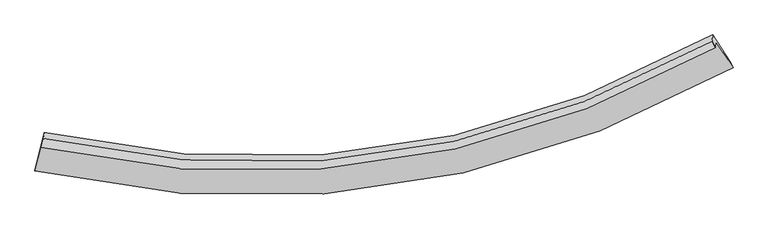
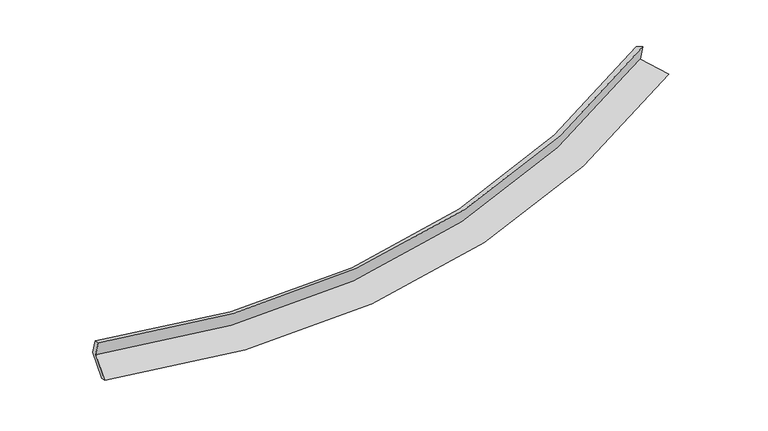
"""IFC4 building model written with IfcOpenShell, lengths in millimetres: proxy geometry."""

from ifc_helpers import new_model, si_unit, frame, origin, place, context, project, spatial, source, transform, mapped, element, save
from ifc_brep_helpers import plane_surface, spline_curve, spline_surface, advanced_brep


def generic_models_dff3e7ea(model_context):
    return source(origin(), model_context, "Body", "AdvancedBrep", [
        advanced_brep(
        [(-6592.6438075, -2034.8134485, 1516.092759), (-6741.3778465, -2645.3627993, 1306.1311509), (7684.9492117, -508.1932586, 2530.343404), (7331.1026262, 38.3790601, 2701.5287084), (-6605.5045999, -2160.0737587, 1889.4488183), (7317.6501794, -92.6437879, 3092.0608266), (-6564.3791035, -1965.8681076, 1810.3503873), (7252.1925751, 45.5647222, 3029.876861), (-6551.9278905, -1844.5969793, 1448.8846482), (7265.4753445, 174.9349631, 2644.2705721), (-6703.478862, -2466.7097647, 1234.9464945), (7619.3635879, -371.7017028, 2473.0651143)],
        [
            (0, 1),
            (1, 2, spline_curve(3, [(-6741.3778465, -2645.3627993, 1306.1311509), (-4707.926140988, -3101.848973553, 1241.772871185), (-2714.236224735, -3259.383645845, 1269.354136298), (2142.537684228, -2907.871447761, 1566.440575919), (4957.623453768, -2037.946928273, 1946.930061286), (7684.9492117, -508.1932586, 2530.343404)], [4, 2, 4], [0.0, 19.352660765896104, 48.103866545499])),
            (2, 3),
            (3, 0, spline_curve(3, [(7331.1026262, 38.3790601, 2701.5287084), (4700.239592177, -1431.653105199, 2131.778846252), (1983.807937203, -2269.932826868, 1761.403711642), (-2704.240567893, -2615.475226078, 1475.301595928), (-4629.057724489, -2468.259673728, 1450.531414677), (-6592.6438075, -2034.8134485, 1516.092759)], [4, 2, 4], [0.0, 28.7512057796029, 48.103866545499])),
            (4, 0),
            (3, 5),
            (5, 4, spline_curve(3, [(7317.6501794, -92.6437879, 3092.0608266), (4686.876828074, -1561.802465894, 2519.707411059), (1970.551707216, -2399.04458362, 2146.239553331), (-2717.29036434, -2742.576378487, 1854.144545201), (-4642.016836219, -2594.477583205, 1826.741733717), (-6605.5045999, -2160.0737587, 1889.4488183)], [4, 2, 4], [0.0, 28.24040531966842, 47.24924231358246])),
            (6, 4),
            (5, 7),
            (7, 6, spline_curve(3, [(7252.1925751, 45.5647222, 3029.876861), (4637.824921494, -1416.449790624, 2451.740084951), (1940.791658271, -2244.149723155, 2073.931385665), (-2709.944197215, -2567.704263704, 1776.987173682), (-4618.43482648, -2410.48194099, 1748.287048541), (-6564.3791035, -1965.8681076, 1810.3503873)], [4, 2, 4], [0.0, 28.134762721292862, 47.0724908586093])),
            (8, 6),
            (7, 9),
            (9, 8, spline_curve(3, [(7265.4753445, 174.9349631, 2644.2705721), (4650.913012724, -1288.97565414, 2071.785404283), (1953.702409201, -2118.402833823, 1699.12500782), (-2697.301149773, -2444.564725204, 1409.952374097), (-4605.89162407, -2288.314860783, 1384.150796721), (-6551.9278905, -1844.5969793, 1448.8846482)], [4, 2, 4], [0.0, 28.029104228120893, 46.89571280992834])),
            (10, 8),
            (9, 11),
            (11, 10, spline_curve(3, [(7619.3635879, -371.7017028, 2473.0651143), (4908.743259486, -1881.215253363, 1881.971384112), (2112.700971396, -2737.976474926, 1496.736062401), (-2708.299326781, -3079.305344796, 1196.619149595), (-4686.537855114, -2920.880143208, 1169.148265014), (-6703.478862, -2466.7097647, 1234.9464945)], [4, 2, 4], [0.0, 28.537735918847854, 47.74670845717522])),
            (1, 10),
            (11, 2),
        ],
        [
            spline_surface(3, 3, [[(-6592.6438075, -2034.8134485, 1516.092759), (-4629.057724713, -2468.25967392, 1450.531414464), (-2704.24056803, -2615.475226129, 1475.301595988), (1983.807937408, -2269.932826792, 1761.403711554), (4700.239591988, -1431.653105105, 2131.778846472), (7331.1026262, 38.3790601, 2701.5287084)], [(-6642.221820494, -2238.32989874, 1446.105556301), (-4655.347196862, -2679.456107209, 1380.945233408), (-2707.572453611, -2830.11136609, 1406.652442758), (2036.71785306, -2482.579033757, 1696.415999624), (4786.034212683, -1633.751046285, 2070.162584908), (7449.051488042, -143.811712801, 2644.466940277)], [(-6691.799833506, -2441.84634906, 1376.118353599), (-4681.636669028, -2890.652540578, 1311.359052349), (-2710.904339224, -3044.747505982, 1338.00328959), (2089.627768679, -2695.225240653, 1631.428287756), (4871.828833354, -1835.848987461, 2008.546323314), (7567.000349858, -326.002485699, 2587.405172123)], [(-6741.3778465, -2645.3627993, 1306.1311509), (-4707.926141177, -3101.848973866, 1241.772871293), (-2714.236224804, -3259.383645942, 1269.35413636), (2142.537684331, -2907.871447617, 1566.440575826), (4957.62345405, -2037.946928641, 1946.930061749), (7684.9492117, -508.1932586, 2530.343404)]], [4, 4], [4, 2, 4], [0.0, 2.218176686007178], [0.0, 19.352660765896104, 48.103866545499]),
            spline_surface(3, 3, [[(-6605.5045999, -2160.0737587, 1889.4488183), (-4642.016836249, -2594.47758339, 1826.74173374), (-2717.290364335, -2742.576378266, 1854.144545246), (1970.551707208, -2399.044583948, 2146.239553264), (4686.876828373, -1561.802465435, 2519.707411208), (7317.6501794, -92.6437879, 3092.0608266)], [(-6601.217669094, -2118.320321991, 1764.996798506), (-4637.697132397, -2552.404946924, 1701.338293954), (-2712.940432228, -2700.209327544, 1727.863562157), (1974.970450613, -2356.007331553, 2017.960939358), (4691.331082892, -1518.419345303, 2390.397889623), (7322.134328314, -48.969505211, 2961.88345386)], [(-6596.930738306, -2076.566885209, 1640.544778794), (-4633.377428564, -2510.332310386, 1575.93485425), (-2708.590500137, -2657.842276851, 1601.582579076), (1979.389194003, -2312.970079186, 1889.68232546), (4695.785337468, -1475.036225237, 2261.088368057), (7326.618477286, -5.295222589, 2831.70608114)], [(-6592.6438075, -2034.8134485, 1516.092759), (-4629.057724713, -2468.25967392, 1450.531414464), (-2704.24056803, -2615.475226129, 1475.301595988), (1983.807937408, -2269.932826792, 1761.403711554), (4700.239591988, -1431.653105105, 2131.778846472), (7331.1026262, 38.3790601, 2701.5287084)]], [4, 4], [4, 2, 4], [0.0, 1.3260015477204705], [0.0, 19.008836993914038, 47.24924231358246]),
            spline_surface(3, 3, [[(-6564.3791035, -1965.8681076, 1810.3503873), (-4618.434826761, -2410.481941241, 1748.28704834), (-2709.944197104, -2567.704263822, 1776.987173824), (1940.791658107, -2244.149722979, 2073.931385453), (4637.824921297, -1416.449790454, 2451.74008451), (7252.1925751, 45.5647222, 3029.876861)], [(-6578.087602291, -2030.603324636, 1836.716530995), (-4626.295496581, -2471.81382196, 1774.438610168), (-2712.392919534, -2625.994968643, 1802.706297632), (1950.711674454, -2295.781343308, 2098.034108058), (4654.175556998, -1464.90068213, 2474.395860084), (7274.011776542, -0.504781183, 3050.604849541)], [(-6591.796101109, -2095.338541664, 1863.082674605), (-4634.156166428, -2533.145702671, 1800.590171912), (-2714.841641904, -2684.285673445, 1828.425421437), (1960.631690861, -2347.412963619, 2122.13683066), (4670.526192672, -1513.351573759, 2497.051635635), (7295.830977958, -46.574284517, 3071.332838059)], [(-6605.5045999, -2160.0737587, 1889.4488183), (-4642.016836249, -2594.47758339, 1826.74173374), (-2717.290364335, -2742.576378266, 1854.144545246), (1970.551707208, -2399.044583948, 2146.239553264), (4686.876828373, -1561.802465435, 2519.707411208), (7317.6501794, -92.6437879, 3092.0608266)]], [4, 4], [4, 2, 4], [0.0, 0.5844682922653313], [0.0, 18.937728137316437, 47.0724908586093]),
            spline_surface(3, 3, [[(-6551.9278905, -1844.5969793, 1448.8846482), (-4605.891624068, -2288.314860571, 1384.150796563), (-2697.301149598, -2444.564725452, 1409.952374398), (1953.702408941, -2118.402833454, 1699.125007372), (4650.91301282, -1288.975654429, 2071.785404199), (7265.4753445, 174.9349631, 2644.2705721)], [(-6556.078294847, -1885.020688725, 1569.373227873), (-4610.072691646, -2329.037220786, 1505.529547128), (-2701.51549874, -2485.61123825, 1532.297307555), (1949.398825356, -2160.318463304, 1824.060466748), (4646.550315649, -1331.467033096, 2198.436964303), (7261.047754704, 131.811549475, 2772.806001733)], [(-6560.228699153, -1925.444398175, 1689.861807627), (-4614.253759182, -2369.759581025, 1626.908297775), (-2705.729847961, -2526.657751024, 1654.642240667), (1945.095241692, -2202.234093129, 1948.995926078), (4642.187618467, -1373.958411787, 2325.088524407), (7256.620164896, 88.688135825, 2901.341431367)], [(-6564.3791035, -1965.8681076, 1810.3503873), (-4618.434826761, -2410.481941241, 1748.28704834), (-2709.944197104, -2567.704263822, 1776.987173824), (1940.791658107, -2244.149722979, 2073.931385453), (4637.824921297, -1416.449790454, 2451.74008451), (7252.1925751, 45.5647222, 3029.876861)]], [4, 4], [4, 2, 4], [0.0, 1.2896748599511523], [0.0, 18.866608581807448, 46.89571280992834]),
            spline_surface(3, 3, [[(-6703.478862, -2466.7097647, 1234.9464945), (-4686.537855382, -2920.880143429, 1169.148264991), (-2708.299326905, -3079.305344578, 1196.619149727), (2112.70097158, -2737.976475249, 1496.736062205), (4908.74325975, -1881.215253477, 1881.971384071), (7619.3635879, -371.7017028, 2473.0651143)], [(-6652.961871487, -2259.338836236, 1306.259212401), (-4659.655778264, -2710.025049145, 1240.815775516), (-2704.63326782, -2867.72513819, 1267.730224603), (2059.701450684, -2531.451927971, 1564.199043913), (4822.799844119, -1683.802053808, 1945.242724102), (7501.400840112, -189.489480847, 2530.133600222)], [(-6602.444881013, -2051.967907764, 1377.571930299), (-4632.773701186, -2499.169954854, 1312.483286038), (-2700.967208683, -2656.14493184, 1338.841299523), (2006.701929838, -2324.927380732, 1631.662025665), (4736.856428451, -1486.388854099, 2008.514064168), (7383.438092288, -7.277258853, 2587.202086178)], [(-6551.9278905, -1844.5969793, 1448.8846482), (-4605.891624068, -2288.314860571, 1384.150796563), (-2697.301149598, -2444.564725452, 1409.952374398), (1953.702408941, -2118.402833454, 1699.125007372), (4650.91301282, -1288.975654429, 2071.785404199), (7265.4753445, 174.9349631, 2644.2705721)]], [4, 4], [4, 2, 4], [0.0, 2.179630229587356], [0.0, 19.208972538327362, 47.74670845717522]),
            spline_surface(3, 3, [[(-6741.3778465, -2645.3627993, 1306.1311509), (-4707.926141177, -3101.848973866, 1241.772871293), (-2714.236224804, -3259.383645942, 1269.35413636), (2142.537684331, -2907.871447617, 1566.440575826), (4957.62345405, -2037.946928641, 1946.930061749), (7684.9492117, -508.1932586, 2530.343404)], [(-6728.744851686, -2585.811787772, 1282.402932123), (-4700.796712598, -3041.526030392, 1217.564669216), (-2712.257258843, -3199.357545472, 1245.109140838), (2132.592113409, -2851.239790146, 1543.205737975), (4941.330055936, -1985.703036919, 1925.277169191), (7663.087337086, -462.696073333, 2511.250640767)], [(-6716.111856814, -2526.260776228, 1258.674713277), (-4693.667283961, -2981.203086903, 1193.356467068), (-2710.278292867, -3139.331445048, 1220.864145249), (2122.646542502, -2794.60813272, 1519.970900057), (4925.036657864, -1933.459145199, 1903.62427663), (7641.225462514, -417.198888067, 2492.157877533)], [(-6703.478862, -2466.7097647, 1234.9464945), (-4686.537855382, -2920.880143429, 1169.148264991), (-2708.299326905, -3079.305344578, 1196.619149727), (2112.70097158, -2737.976475249, 1496.736062205), (4908.74325975, -1881.215253477, 1881.971384071), (7619.3635879, -371.7017028, 2473.0651143)]], [4, 4], [4, 2, 4], [0.0, 0.6141289768249322], [0.0, 19.62393902507075, 48.77816830347891]),
            plane_surface(frame((7411.7889208, -118.943334, 2745.1909144), z_axis=(0.8501134830285199, 0.4897261074582592, 0.19358565454831686), x_axis=(-0.03264010259356111, -0.3179049346672363, 0.9475605923722779))),
            plane_surface(frame((-6626.5520183, -2186.2374763, 1534.309043), z_axis=(-0.9739304467344123, 0.22305797291315432, 0.04128711231828684), x_axis=(0.22448632169109015, 0.9215104954551798, 0.3168979301597813))),
        ],
        [
            (0, [[1, 2, 3, 4]]),
            (1, [[5, -4, 6, 7]]),
            (2, [[8, -7, 9, 10]]),
            (3, [[11, -10, 12, 13]]),
            (4, [[14, -13, 15, 16]]),
            (5, [[17, -16, 18, -2]]),
            (6, [[-12, -9, -6, -3, -18, -15]]),
            (7, [[-1, -5, -8, -11, -14, -17]]),
        ],
    ),
    ])


if __name__ == "__main__":
    model = new_model("IFC4")
    model_context = context("Model", 3, world=origin())
    ifc_project = project(units=[si_unit("LENGTHUNIT", "METRE", prefix="MILLI")], contexts=[model_context])
    site = spatial("IfcSite", under=ifc_project)
    building = spatial("IfcBuilding", under=site)
    placement = place(None, origin())
    generic_models_shape = generic_models_dff3e7ea(model_context)
    element("IfcBuildingElementProxy", 1, Name="Generic Models", at=placement, inside=building, context=model_context, shape_type="MappedRepresentation", body=[
        mapped(generic_models_shape, transform((0.0, 0.0, 0.0), x_axis=(1.0, 0.0, 0.0), y_axis=(0.0, 1.0, 0.0), z_axis=(0.0, 0.0, 1.0))),
    ])
    save(model, "model.ifc")
